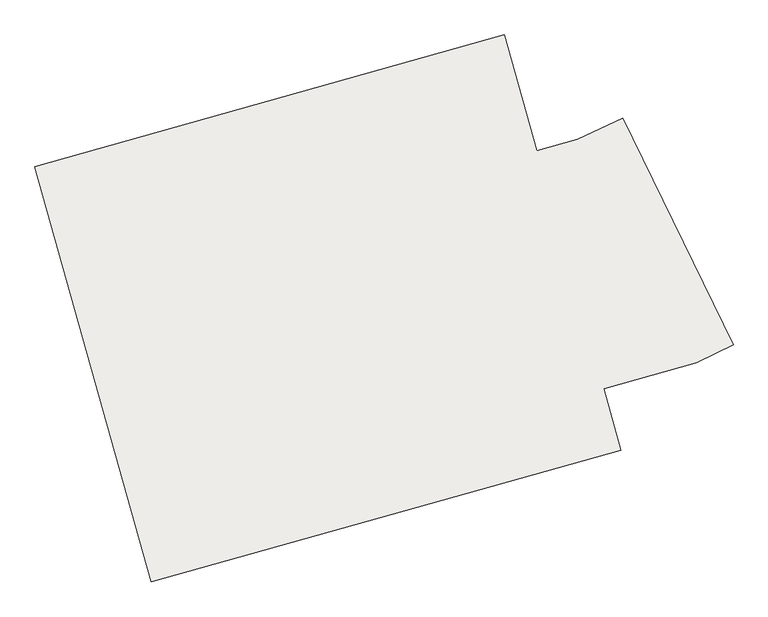
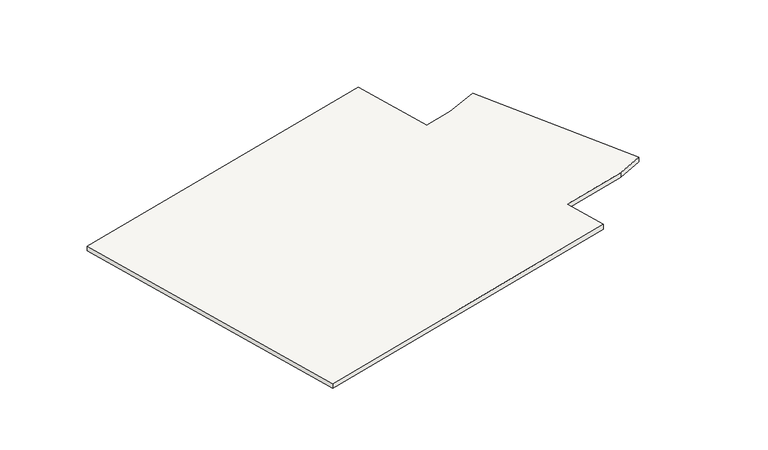
"""IFC4 building model written with IfcOpenShell, lengths in millimetres: slab geometry."""

from ifc_helpers import new_model, si_unit, frame, origin, place, context, project, spatial, polyline, outline, extrude, source, transform, mapped, element, save


def slab_05d96792(model_context):
    return source(origin(), model_context, "Body", "SweptSolid", [
        extrude(outline(polyline([(-131330.5811027, 20735.2863124), (-131435.2738777, 20684.2242343), (-131696.5129166, 20610.8877292), (-131647.862924, 20437.5868976), (-132976.5026327, 20064.603621), (-133306.2414714, 21239.198146), (-131977.6017628, 21612.1814227), (-131885.7073323, 21284.8354075), (-131770.1734446, 21317.2687359), (-131643.2903544, 21376.4352925), (-131330.5811027, 20735.2863124)])), frame((0.0, 0.0, 15179.2554291), z_axis=(0.0, 0.0, 1.0), x_axis=(1.0, 0.0, 0.0)), (0.0, 0.0, 1.0), 20.0),
    ])


if __name__ == "__main__":
    model = new_model("IFC4")
    model_context = context("Model", 3, world=origin())
    ifc_project = project(units=[si_unit("LENGTHUNIT", "METRE", prefix="MILLI")], contexts=[model_context])
    site = spatial("IfcSite", under=ifc_project)
    building = spatial("IfcBuilding", under=site)
    placement = place(None, origin())
    slab_shape = slab_05d96792(model_context)
    element("IfcSlab", 1, at=placement, inside=building, context=model_context, shape_type="MappedRepresentation", body=[
        mapped(slab_shape, transform((0.0, 0.0, 0.0), x_axis=(1.0, 0.0, 0.0), y_axis=(0.0, 1.0, 0.0), z_axis=(0.0, 0.0, 1.0))),
    ])
    save(model, "model.ifc")
